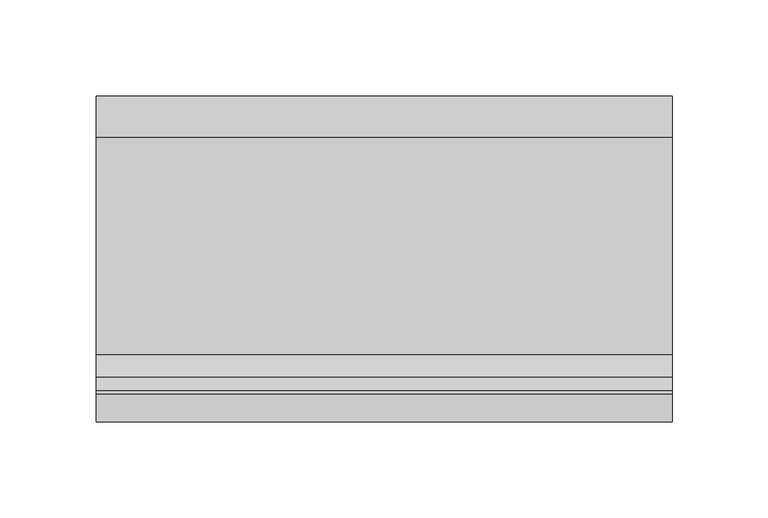
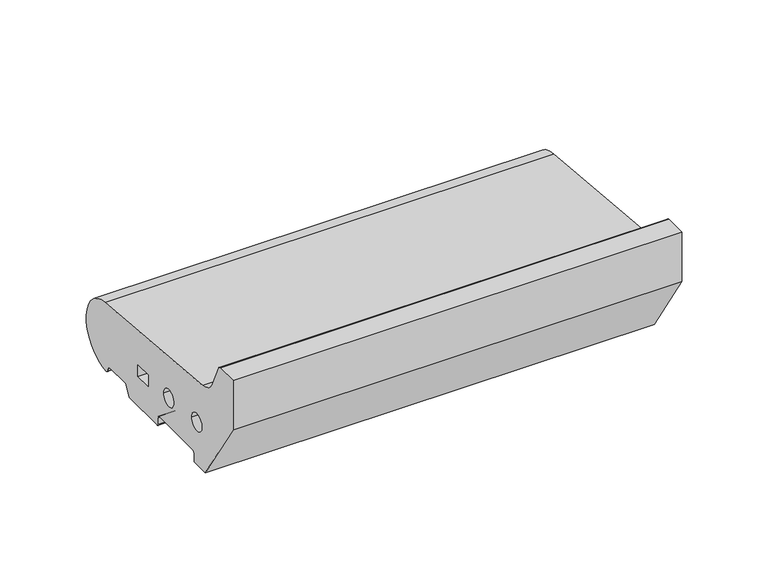
"""IFC4 building model written with IfcOpenShell, lengths in millimetres: proxy geometry."""

import ifcopenshell
import ifcopenshell.guid

model = None  # the IFC model being written
_history = None  # IfcOwnerHistory: only IFC2X3 demands one
_inside = {}  # id of a spatial element -> (the spatial element, [elements in it])
_under = {}  # id of a project, library or spatial element -> (it, [spatial elements below it])
_declared = {}  # id of a project -> (the project, [libraries it declares])
_typed = {}  # id of a type object -> (the type object, [elements of that type])
_made_of = {}  # id of a material, layer set ... -> (it, [elements and type objects made of it])


def new_model(schema):
    """Start an empty IFC model of exactly this schema.

    Asked for "IFC4X3", IfcOpenShell would pick the latest addendum, in which some entities
    have other attributes; the version numbers below select the first issue.
    IFC2X3 requires an IfcOwnerHistory on every rooted entity: one is made here for all.
    """
    global model, _history
    if schema == "IFC4X3":
        model = ifcopenshell.file(schema_version=(4, 3, 0, 0))
    else:
        model = ifcopenshell.file(schema=schema)
    _inside.clear()
    _under.clear()
    _declared.clear()
    _typed.clear()
    _made_of.clear()
    _history = None
    if model.schema == "IFC2X3":
        org = make("IfcOrganization", Name="unknown")
        user = make(
            "IfcPersonAndOrganization",
            ThePerson=make("IfcPerson", FamilyName="unknown"),
            TheOrganization=org,
        )
        app = make(
            "IfcApplication",
            ApplicationDeveloper=org,
            Version="unknown",
            ApplicationFullName="unknown",
            ApplicationIdentifier="unknown",
        )
        _history = make(
            "IfcOwnerHistory",
            OwningUser=user,
            OwningApplication=app,
            ChangeAction="ADDED",
            CreationDate=0,
        )
    return model


def make(cls, **values):
    """One entity of the class cls with the attributes given. An attribute that is None is left unset."""
    return model.create_entity(
        cls, **{name: value for name, value in values.items() if value is not None}
    )


def rooted(cls, **values):
    """An entity with a GlobalId (a new one), such as an element, a storey or a relation."""
    return make(cls, GlobalId=ifcopenshell.guid.new(), OwnerHistory=_history, **values)


def si_unit(unit_type, name, prefix=None):
    """IfcSIUnit, for example si_unit("LENGTHUNIT", "METRE", prefix="MILLI")."""
    return make("IfcSIUnit", UnitType=unit_type, Prefix=prefix, Name=name)


def assignment(units):
    """IfcUnitAssignment: the units of a project."""
    return None if units is None else make("IfcUnitAssignment", Units=units)


def point(xyz):
    """IfcCartesianPoint."""
    return None if xyz is None else make("IfcCartesianPoint", Coordinates=xyz)


def direction(xyz):
    """IfcDirection."""
    return None if xyz is None else make("IfcDirection", DirectionRatios=xyz)


def frame(location, z_axis=None, x_axis=None):
    """IfcAxis2Placement3D, a coordinate frame: its origin and axes. An axis left out is left unset."""
    return make(
        "IfcAxis2Placement3D",
        Location=point(location),
        Axis=direction(z_axis),
        RefDirection=direction(x_axis),
    )


def frame_2d(location, x_axis=None):
    """IfcAxis2Placement2D, a coordinate frame in the plane: its origin and x axis."""
    return make(
        "IfcAxis2Placement2D", Location=point(location), RefDirection=direction(x_axis)
    )


def origin():
    """The frame at (0, 0, 0) with its axes left unset."""
    return frame((0.0, 0.0, 0.0))


def place(relative_to, where):
    """IfcLocalPlacement: puts the frame where relative to a parent placement (None: the world)."""
    return make(
        "IfcLocalPlacement", PlacementRelTo=relative_to, RelativePlacement=where
    )


def context(
    kind, dimensions, precision=None, world=None, true_north=None, identifier=None
):
    """IfcGeometricRepresentationContext, for example the 3D "Model" context."""
    return make(
        "IfcGeometricRepresentationContext",
        ContextIdentifier=identifier,
        ContextType=kind,
        CoordinateSpaceDimension=dimensions,
        Precision=precision,
        WorldCoordinateSystem=world,
        TrueNorth=true_north,
    )


def project(units=None, contexts=None):
    """IfcProject with its units and contexts."""
    return rooted(
        "IfcProject",
        Name="project",
        RepresentationContexts=contexts,
        UnitsInContext=assignment(units),
    )


def spatial(cls, under=None, at=None, **own):
    """A site, building, storey or space (cls), placed at a placement, below another one or the project."""
    s = rooted(cls, ObjectPlacement=at, **own)
    if under is not None:
        _under.setdefault(under.id(), (under, []))[1].append(s)
    return s


def polyline(points):
    """IfcPolyline through the points."""
    return make("IfcPolyline", Points=[point(p) for p in points])


def circle_curve(where, radius):
    """IfcCircle in the frame where."""
    return make("IfcCircle", Position=where, Radius=radius)


def trimmed(basis, trim1, trim2, sense, master):
    """IfcTrimmedCurve: the piece of a basis curve between two trims."""
    return make(
        "IfcTrimmedCurve",
        BasisCurve=basis,
        Trim1=trim1,
        Trim2=trim2,
        SenseAgreement=sense,
        MasterRepresentation=master,
    )


def segment(curve, same_sense, transition):
    """IfcCompositeCurveSegment."""
    return make(
        "IfcCompositeCurveSegment",
        Transition=transition,
        SameSense=same_sense,
        ParentCurve=curve,
    )


def composite_curve(segments, self_intersect=None):
    """IfcCompositeCurve: segments joined end to end."""
    return make("IfcCompositeCurve", Segments=segments, SelfIntersect=self_intersect)


def outline(outer, holes=None, kind="AREA"):
    """IfcArbitraryClosedProfileDef: a profile drawn as a closed curve; with holes, ...WithVoids."""
    if holes is None:
        return make("IfcArbitraryClosedProfileDef", ProfileType=kind, OuterCurve=outer)
    return make(
        "IfcArbitraryProfileDefWithVoids",
        ProfileType=kind,
        OuterCurve=outer,
        InnerCurves=holes,
    )


def extrude(swept, where, along, depth):
    """IfcExtrudedAreaSolid: the profile swept, set in the frame where, extruded along a direction by depth."""
    return make(
        "IfcExtrudedAreaSolid",
        SweptArea=swept,
        Position=where,
        ExtrudedDirection=direction(along),
        Depth=depth,
    )


def shape(context_of_items, identifier, shape_type, items):
    """IfcShapeRepresentation: the items that make up one representation, for example the "Body"."""
    return make(
        "IfcShapeRepresentation",
        ContextOfItems=context_of_items,
        RepresentationIdentifier=identifier,
        RepresentationType=shape_type,
        Items=items,
    )


def source(mapping_origin, context_of_items, identifier, shape_type, items):
    """IfcRepresentationMap: a shape defined once, which mapped items show again and again."""
    return make(
        "IfcRepresentationMap",
        MappingOrigin=mapping_origin,
        MappedRepresentation=shape(context_of_items, identifier, shape_type, items),
    )


def transform(
    local_origin,
    x_axis=None,
    y_axis=None,
    z_axis=None,
    scale=None,
    scale2=None,
    scale3=None,
    uniform=True,
):
    """IfcCartesianTransformationOperator3D, or its non-uniform kind. x_axis, y_axis, z_axis: its Axis1, 2, 3."""
    if uniform:
        return make(
            "IfcCartesianTransformationOperator3D",
            Axis1=direction(x_axis),
            Axis2=direction(y_axis),
            LocalOrigin=point(local_origin),
            Scale=scale,
            Axis3=direction(z_axis),
        )
    return make(
        "IfcCartesianTransformationOperator3DnonUniform",
        Axis1=direction(x_axis),
        Axis2=direction(y_axis),
        LocalOrigin=point(local_origin),
        Scale=scale,
        Axis3=direction(z_axis),
        Scale2=scale2,
        Scale3=scale3,
    )


def mapped(mapping_source, mapping_target):
    """IfcMappedItem: shows the shape of a source again, moved by a transform."""
    return make(
        "IfcMappedItem", MappingSource=mapping_source, MappingTarget=mapping_target
    )


def made_of(thing, what):
    """Note that an element or type object is made of a material, layer set ...; save() writes the relation."""
    if what is not None:
        _made_of.setdefault(what.id(), (what, []))[1].append(thing)
    return thing


def element(
    cls,
    number,
    at=None,
    inside=None,
    cuts=None,
    type_object=None,
    material=None,
    context=None,
    identifier="Body",
    shape_type=None,
    held_by="IfcProductDefinitionShape",
    body=None,
    shapes=None,
    **own,
):
    """One element of the class cls, such as IfcWall. Its Tag is "e" and its number.

    at: its placement. inside: the storey or other place that contains it. cuts: it is an
    opening in that element (IfcRelVoidsElement). A single representation is given by context,
    identifier, shape_type and body (its items); several are given by shapes. held_by: the class
    of the entity that holds the representations. save() writes the other relations.
    """
    e = rooted(cls, Tag="e%d" % number, ObjectPlacement=at, **own)
    if body is not None:
        shapes = [shape(context, identifier, shape_type, body)]
    if shapes is not None:
        e.Representation = make(held_by, Representations=shapes)
    if inside is not None:
        _inside.setdefault(inside.id(), (inside, []))[1].append(e)
    if cuts is not None:
        rooted(
            "IfcRelVoidsElement", RelatingBuildingElement=cuts, RelatedOpeningElement=e
        )
    if type_object is not None:
        _typed.setdefault(type_object.id(), (type_object, []))[1].append(e)
    return made_of(e, material)


def aggregate(whole, parts):
    """IfcRelAggregates: a whole, such as a stair, and the parts it consists of."""
    return rooted("IfcRelAggregates", RelatingObject=whole, RelatedObjects=parts)


def save(model, path):
    """Write the relations noted so far, then the file.

    IfcRelAggregates (storeys below a building ...), IfcRelContainedInSpatialStructure (elements
    in a storey), IfcRelDefinesByType, IfcRelAssociatesMaterial and IfcRelDeclares: one each for
    every whole, place, type object, material and project.
    """
    for whole, parts in _under.values():
        aggregate(whole, parts)
    for where, things in _inside.values():
        rooted(
            "IfcRelContainedInSpatialStructure",
            RelatedElements=things,
            RelatingStructure=where,
        )
    for kind, things in _typed.values():
        rooted("IfcRelDefinesByType", RelatedObjects=things, RelatingType=kind)
    for what, things in _made_of.values():
        rooted("IfcRelAssociatesMaterial", RelatedObjects=things, RelatingMaterial=what)
    for by, libraries in _declared.values():
        rooted("IfcRelDeclares", RelatingContext=by, RelatedDefinitions=libraries)
    model.write(path)


def generic_models_33148c5c(model_context):
    return source(origin(), model_context, "Body", "SweptSolid", [
        extrude(outline(composite_curve([segment(trimmed(circle_curve(frame_2d((26.0, 26.5)), 24.0), [point((28.0858073, 50.4091909))], [point((26.5981483, 2.5074549))], False, "CARTESIAN"), True, "CONTINUOUS"), segment(trimmed(circle_curve(frame_2d((26.5732255, 3.5071443)), 1.0), [point((26.5981483, 2.5074549))], [point((25.7072001, 3.0071443))], False, "CARTESIAN"), True, "CONTINUOUS"), segment(polyline([(25.7072001, 3.0071443), (23.6905989, 6.5)]), True, "CONTINUOUS"), segment(trimmed(circle_curve(frame_2d((21.9585481, 5.5)), 2.0), [point((23.6905989, 6.5))], [point((21.9585481, 7.5))], True, "CARTESIAN"), True, "CONTINUOUS"), segment(polyline([(21.9585481, 7.5), (5.4848276, 7.5)]), True, "CONTINUOUS"), segment(trimmed(circle_curve(frame_2d((5.4848276, 5.5)), 2.0), [point((5.4848276, 7.5))], [point((3.7527767, 6.5))], True, "CARTESIAN"), True, "CONTINUOUS"), segment(polyline([(3.7527767, 6.5), (0.2886751, 0.5)]), True, "CONTINUOUS"), segment(trimmed(circle_curve(frame_2d((-0.5773503, 1.0)), 1.0), [point((0.2886751, 0.5))], [point((-0.5773503, 0.0))], False, "CARTESIAN"), True, "CONTINUOUS"), segment(polyline([(-0.5773503, 0.0), (-32.0, 0.0)]), True, "CONTINUOUS"), segment(trimmed(circle_curve(frame_2d((-32.0, 1.0)), 1.0), [point((-32.0, 0.0))], [point((-33.0, 1.0))], False, "CARTESIAN"), True, "CONTINUOUS"), segment(polyline([(-33.0, 1.0), (-33.0, 5.5)]), True, "CONTINUOUS"), segment(trimmed(circle_curve(frame_2d((-35.0, 5.5)), 2.0), [point((-33.0, 5.5))], [point((-35.0, 7.5))], True, "CARTESIAN"), True, "CONTINUOUS"), segment(polyline([(-35.0, 7.5), (-73.0, 7.5)]), True, "CONTINUOUS"), segment(trimmed(circle_curve(frame_2d((-73.0, 5.5)), 2.0), [point((-73.0, 7.5))], [point((-75.0, 5.5))], True, "CARTESIAN"), True, "CONTINUOUS"), segment(polyline([(-75.0, 5.5), (-75.0, 1.0)]), True, "CONTINUOUS"), segment(trimmed(circle_curve(frame_2d((-76.0, 1.0)), 1.0), [point((-75.0, 1.0))], [point((-76.0, 0.0))], False, "CARTESIAN"), True, "CONTINUOUS"), segment(polyline([(-76.0, 0.0), (-88.0, 0.0), (-120.0, 50.0), (-120.0, 85.0), (-105.2988152, 85.0)]), True, "CONTINUOUS"), segment(trimmed(circle_curve(frame_2d((-105.2988152, 83.0)), 2.0), [point((-105.2988152, 85.0))], [point((-103.4717243, 83.8134733))], False, "CARTESIAN"), True, "CONTINUOUS"), segment(polyline([(-103.4717243, 83.8134733), (-96.6696696, 68.5358083)]), True, "CONTINUOUS"), segment(trimmed(circle_curve(frame_2d((-83.8800332, 74.2301213)), 14.0), [point((-96.6696696, 68.5358083))], [point((-85.0967541, 60.2830933))], True, "CARTESIAN"), True, "CONTINUOUS"), segment(polyline([(-85.0967541, 60.2830933), (28.0858073, 50.4091909)]), True, "CONTINUOUS")], self_intersect=False), holes=[polyline([(-9.5, 28.9289), (-21.5, 28.9289), (-21.5, 20.9289), (-9.5, 20.9289), (-9.5, 28.9289)]), composite_curve([segment(trimmed(circle_curve(frame_2d((-45.5, 27.333)), 6.0), [point((-51.5, 27.333))], [point((-39.5, 27.333))], True, "CARTESIAN"), True, "CONTINUOUS"), segment(trimmed(circle_curve(frame_2d((-45.5, 27.333)), 6.0), [point((-39.5, 27.333))], [point((-51.5, 27.333))], True, "CARTESIAN"), True, "CONTINUOUS")], self_intersect=False), composite_curve([segment(trimmed(circle_curve(frame_2d((-78.0, 30.0)), 6.0), [point((-84.0, 30.0))], [point((-72.0, 30.0))], True, "CARTESIAN"), True, "CONTINUOUS"), segment(trimmed(circle_curve(frame_2d((-78.0, 30.0)), 6.0), [point((-72.0, 30.0))], [point((-84.0, 30.0))], True, "CARTESIAN"), True, "CONTINUOUS")], self_intersect=False)]), frame((0.0, 0.0, 0.0), z_axis=(1.0, 0.0, 0.0), x_axis=(0.0, 1.0, 0.0)), (0.0, 0.0, 1.0), 300.0),
    ])


if __name__ == "__main__":
    model = new_model("IFC4")
    model_context = context("Model", 3, world=origin())
    ifc_project = project(units=[si_unit("LENGTHUNIT", "METRE", prefix="MILLI")], contexts=[model_context])
    site = spatial("IfcSite", under=ifc_project)
    building = spatial("IfcBuilding", under=site)
    placement = place(None, origin())
    generic_models_shape = generic_models_33148c5c(model_context)
    element("IfcBuildingElementProxy", 1, Name="Generic Models", at=placement, inside=building, context=model_context, shape_type="MappedRepresentation", body=[
        mapped(generic_models_shape, transform((0.0, 0.0, 0.0), x_axis=(1.0, 0.0, 0.0), y_axis=(0.0, 1.0, 0.0), z_axis=(0.0, 0.0, 1.0))),
    ])
    save(model, "model.ifc")
